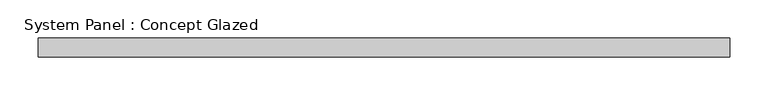
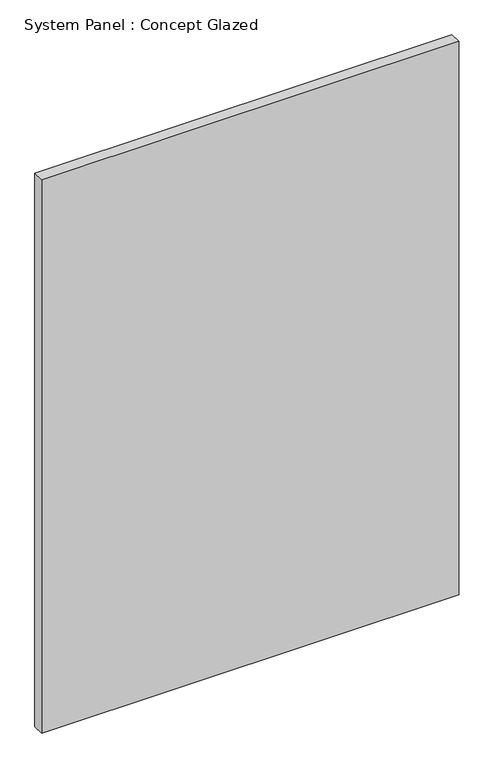
"""IFC4 building model written with IfcOpenShell, lengths in millimetres: plate geometry, System Panel : Concept Glazed."""

from ifc_helpers import new_model, si_unit, origin, origin_with_axes, place, context, project, spatial, polyline, outline, extrude, source, transform, mapped, element, save


def system_panel_concept_glazed_604c79df(model_context):
    return source(origin(), model_context, "Body", "SweptSolid", [
        extrude(outline(polyline([(454.375, 0.0), (-454.375, 0.0), (-454.375, 25.0), (454.375, 25.0), (454.375, 0.0)])), origin_with_axes(), (0.0, 0.0, 1.0), 1275.0),
    ])


if __name__ == "__main__":
    model = new_model("IFC4")
    model_context = context("Model", 3, world=origin())
    ifc_project = project(units=[si_unit("LENGTHUNIT", "METRE", prefix="MILLI")], contexts=[model_context])
    site = spatial("IfcSite", under=ifc_project)
    building = spatial("IfcBuilding", under=site)
    placement = place(None, origin())
    system_panel_concept_glazed_shape = system_panel_concept_glazed_604c79df(model_context)
    element("IfcPlate", 1, ObjectType="System Panel : Concept Glazed", at=placement, inside=building, context=model_context, shape_type="MappedRepresentation", body=[
        mapped(system_panel_concept_glazed_shape, transform((0.0, 0.0, 0.0), x_axis=(1.0, 0.0, 0.0), y_axis=(0.0, 1.0, 0.0), z_axis=(0.0, 0.0, 1.0))),
    ])
    save(model, "model.ifc")
